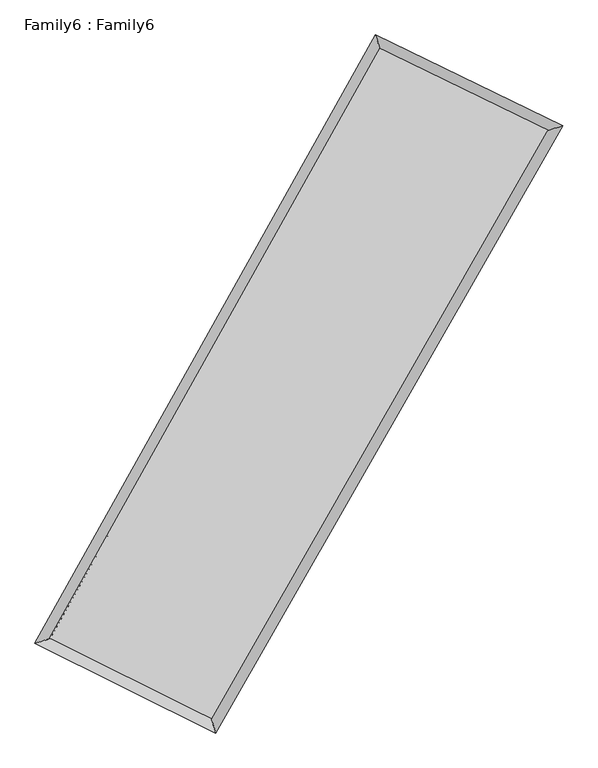
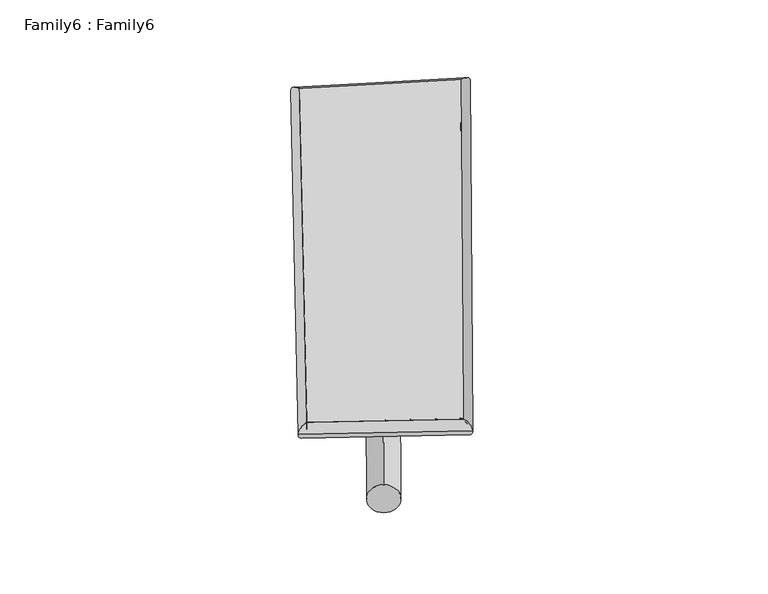
"""IFC4 building model written with IfcOpenShell, lengths in millimetres: plate geometry, Family6 : Family6."""

from ifc_helpers import new_model, si_unit, point, frame, origin, origin_2d, place, context, project, spatial, circle_curve, ellipse_curve, trimmed, segment, composite_curve, outline, extrude, source, transform, mapped, element, save
from ifc_brep_helpers import plane_surface, cylinder_surface, spline_surface, advanced_brep


def family6_family6_2b0231cc(model_context):
    return source(origin(), model_context, "Body", "SolidModel", [
        extrude(outline(composite_curve([segment(trimmed(circle_curve(origin_2d(), 76.2), [point((-75.4341514, -10.7763074))], [point((75.4341514, 10.7763074))], False, "CARTESIAN"), True, "CONTINUOUS"), segment(trimmed(circle_curve(origin_2d(), 76.2), [point((75.4341514, 10.7763074))], [point((-75.4341514, -10.7763074))], False, "CARTESIAN"), True, "CONTINUOUS")], self_intersect=False)), frame((9144.0, 9144.0, 0.0), z_axis=(0.6778109049515287, 0.6836054818009403, 0.2706583129713444), x_axis=(-0.6756501107935996, 0.7243111713739391, -0.1373690460311523)), (0.0, 0.0, 1.0), 5724.6030246),
        extrude(outline(composite_curve([segment(trimmed(circle_curve(origin_2d(), 76.2), [point((-53.8815367, 53.8815367))], [point((53.8815367, -53.8815367))], False, "CARTESIAN"), True, "CONTINUOUS"), segment(trimmed(circle_curve(origin_2d(), 76.2), [point((53.8815367, -53.8815367))], [point((-53.8815367, 53.8815367))], False, "CARTESIAN"), True, "CONTINUOUS")], self_intersect=False)), frame((9144.0, 9144.0, 0.0), z_axis=(-0.6723489654244139, -0.688448898717299, 0.2720018061477877), x_axis=(0.6415901794772025, -0.35871133288851914, 0.6780031130133202)), (0.0, 0.0, 1.0), 5698.1412102),
        extrude(outline(composite_curve([segment(trimmed(circle_curve(origin_2d(), 76.2), [point((-53.8815368, -53.8815367))], [point((53.8815368, 53.8815367))], False, "CARTESIAN"), True, "CONTINUOUS"), segment(trimmed(circle_curve(origin_2d(), 76.2), [point((53.8815368, 53.8815367))], [point((-53.8815368, -53.8815367))], False, "CARTESIAN"), True, "CONTINUOUS")], self_intersect=False)), frame((9144.0, 9144.0, 0.0), z_axis=(0.22967472601914168, 0.9350403473783585, 0.2700908532375564), x_axis=(-0.8472742905734633, 0.3286479782049815, -0.4172730316651351)), (0.0, 0.0, 1.0), 5540.6702422),
        extrude(outline(composite_curve([segment(trimmed(circle_curve(origin_2d(), 76.2), [point((-75.4341514, 10.7763073))], [point((75.4341514, -10.7763073))], False, "CARTESIAN"), True, "CONTINUOUS"), segment(trimmed(circle_curve(origin_2d(), 76.2), [point((75.4341514, -10.7763073))], [point((-75.4341514, 10.7763073))], False, "CARTESIAN"), True, "CONTINUOUS")], self_intersect=False)), frame((9144.0, 9144.0, 0.0), z_axis=(-0.23772474078233274, -0.9330873848889709, 0.26987938005900736), x_axis=(0.8894197035630897, -0.09743197956234903, 0.44658661004592104)), (0.0, 0.0, 1.0), 5542.2443534),
        advanced_brep(
        [(5101.701607, 5155.9951793, 1546.489235), (5101.635665, 5155.8850997, 1554.8245898), (5524.0196979, 5286.2467389, 1553.3201667), (10479.1574105, 14124.8959339, 1501.4547294), (10353.9464292, 14524.604522, 1491.513977), (5524.0856399, 5286.3568184, 1544.984812), (12810.9746546, 12991.5754774, 1548.7833058), (13237.4220585, 13123.1645401, 1550.0394883), (7765.5531978, 4173.0120423, 1496.68215), (7887.3895977, 3772.1913775, 1494.7927905)],
        [
            (0, 1, ellipse_curve(frame((5312.8606525, 5221.1209591, 1549.9047009), z_axis=(-0.29485778231020443, 0.9554857875973437, 0.010285811129514176), x_axis=(-0.9553495993844933, -0.29499712004771667, 0.016847614651372852)), 221.1277815, 152.4)),
            (1, 2, ellipse_curve(frame((5312.8606525, 5221.1209591, 1549.9047009), z_axis=(-0.29485778231020443, 0.9554857875973437, 0.010285811129514176), x_axis=(-0.9553495993844933, -0.29499712004771667, 0.016847614651372852)), 221.1277815, 152.4)),
            (2, 3),
            (3, 4, ellipse_curve(frame((10416.5519198, 14324.750228, 1496.4843532), z_axis=(-0.9541715096106262, -0.2991241323405307, -0.009026832163245643), x_axis=(0.29894623749737526, -0.954117978089484, 0.01703029572843769)), 209.493776, 152.4)),
            (4, 0),
            (2, 5, ellipse_curve(frame((5312.8606525, 5221.1209591, 1549.9047009), z_axis=(-0.29485778231020443, 0.9554857875973437, 0.010285811129514176), x_axis=(-0.9553495993844933, -0.29499712004771667, 0.016847614651372852)), 221.1277815, 152.4)),
            (5, 0, ellipse_curve(frame((5312.8606525, 5221.1209591, 1549.9047009), z_axis=(-0.29485778231020443, 0.9554857875973437, 0.010285811129514176), x_axis=(-0.9553495993844933, -0.29499712004771667, 0.016847614651372852)), 221.1277815, 152.4)),
            (4, 3, ellipse_curve(frame((10416.5519198, 14324.750228, 1496.4843532), z_axis=(-0.9541715096106262, -0.2991241323405307, -0.009026832163245643), x_axis=(0.29894623749737526, -0.954117978089484, 0.01703029572843769)), 209.493776, 152.4)),
            (3, 6),
            (6, 7, ellipse_curve(frame((13024.1983566, 13057.3700087, 1549.4113971), z_axis=(-0.2948128192772218, 0.9555067080379716, -0.009608979355501103), x_axis=(-0.955383120532545, -0.29493561427018555, -0.016002388464366135)), 223.1671413, 152.4)),
            (7, 4),
            (7, 6, ellipse_curve(frame((13024.1983566, 13057.3700087, 1549.4113971), z_axis=(-0.2948128192772218, 0.9555067080379716, -0.009608979355501103), x_axis=(-0.955383120532545, -0.29493561427018555, -0.016002388464366135)), 223.1671413, 152.4)),
            (6, 8),
            (8, 9, ellipse_curve(frame((7826.4713977, 3972.6017099, 1495.7374702), z_axis=(0.9567170839827653, 0.29085666772732527, -0.009737558937990477), x_axis=(-0.29065853752045384, 0.9566612759797437, 0.017799370979885647)), 209.4829684, 152.4)),
            (9, 7),
            (9, 8, ellipse_curve(frame((7826.4713977, 3972.6017099, 1495.7374702), z_axis=(0.9567170839827653, 0.29085666772732527, -0.009737558937990477), x_axis=(-0.29065853752045384, 0.9566612759797437, 0.017799370979885647)), 209.4829684, 152.4)),
            (8, 5),
            (1, 9),
        ],
        [
            cylinder_surface(frame((5312.8606525, 5221.1209591, 1549.9047009), z_axis=(-0.489009676257681, -0.8722633420239639, 0.005118465350418039), x_axis=(-0.8720075075959546, 0.48870319783899036, -0.027786527639052636)), 152.4),
            cylinder_surface(frame((10416.5519198, 14324.750228, 1496.4843532), z_axis=(-0.8992486369117153, 0.4370569255582466, -0.01825192685706528), x_axis=(0.4373307292155328, 0.8991688846486302, -0.015399680631390049)), 152.4),
            cylinder_surface(frame((13024.1983566, 13057.3700087, 1549.4113971), z_axis=(0.4965955097970628, 0.8679669364086765, 0.005128055258271495), x_axis=(0.8679810142546058, -0.4965955097970628, -0.0013632838813222488)), 152.4),
            cylinder_surface(frame((7826.4713977, 3972.6017099, 1495.7374702), z_axis=(0.8954382643879365, -0.44476731794065866, -0.01929630953817933), x_axis=(-0.4446107631127662, -0.8956435427453681, 0.011996402077694982)), 152.4),
        ],
        [
            (0, [[1, 2, 3, 4, 5]]),
            (0, [[6, 7, -5, 8, -3]]),
            (1, [[-4, 9, 10, 11]]),
            (1, [[-8, -11, 12, -9]]),
            (2, [[-10, 13, 14, 15]]),
            (2, [[-12, -15, 16, -13]]),
            (3, [[-14, 17, -6, -2, 18]]),
            (3, [[-16, -18, -1, -7, -17]]),
        ],
    ),
        extrude(outline(composite_curve([segment(trimmed(circle_curve(origin_2d(), 304.8), [point((0.0, 304.7999999))], [point((0.0, -304.8))], False, "CARTESIAN"), True, "CONTINUOUS"), segment(trimmed(circle_curve(origin_2d(), 304.8), [point((0.0, -304.8))], [point((0.0, 304.7999999))], False, "CARTESIAN"), True, "CONTINUOUS")], self_intersect=False)), frame((11754.5619575, 13697.9064885, -0.0343725), z_axis=(-0.4973347278573927, -0.8675587406188319, 6.548251148956839e-06), x_axis=(-0.8675587406417921, 0.4973347278573927, -1.7438127284977294e-06)), (0.0, 0.0, 1.0), 10498.2089979),
        advanced_brep(
        [(5312.8606525, 5221.1209591, 1549.9047009), (7826.4713977, 3972.6017099, 1495.7374702), (7826.4591636, 3972.6054592, 1648.1374697), (5312.8484183, 5221.1247084, 1702.3047003), (13024.1983566, 13057.3700087, 1549.4113971), (13024.1861224, 13057.3737581, 1701.8113965), (10416.5519198, 14324.750228, 1496.4843532), (10416.5396857, 14324.7539773, 1648.8843527)],
        [
            (0, 1),
            (1, 2),
            (2, 3),
            (3, 0),
            (1, 4),
            (4, 5),
            (5, 2),
            (4, 6),
            (6, 7),
            (7, 5),
            (6, 0),
            (3, 7),
        ],
        [
            plane_surface(frame((6569.6660251, 4596.8613345, 1522.8210855), z_axis=(-0.44485038146102374, -0.8956049005710646, -1.3677551515424609e-05), x_axis=(0.8954382643879364, -0.4447673179406587, -0.01929630953817933))),
            plane_surface(frame((10425.3348772, 8514.9858593, 1522.5744336), z_axis=(0.8679781376060448, -0.49660240226062236, 8.189579507243347e-05), x_axis=(0.4965955097970629, 0.8679669364086765, 0.005128055258271492))),
            plane_surface(frame((11720.3751382, 13691.0601183, 1522.9478751), z_axis=(0.43712952986534165, 0.8993985623468771, 1.2964415631113585e-05), x_axis=(-0.8992486369117151, 0.4370569255582467, -0.018251926857065285))),
            plane_surface(frame((7864.7062861, 9772.9355935, 1523.194527), z_axis=(-0.8722749707743586, 0.4890157140907841, -8.205408385535216e-05), x_axis=(-0.4890096762576813, -0.8722633420239638, 0.005118465350418032))),
            spline_surface(1, 1, [[(7826.4591636, 3972.6054592, 1648.1374697), (5312.8484183, 5221.1247084, 1702.3047003)], [(13024.1861224, 13057.3737581, 1701.8113965), (10416.5396857, 14324.7539773, 1648.8843527)]], [2, 2], [2, 2], [0.0, 1.0], [0.0, 1.0]),
            spline_surface(1, 1, [[(10416.5519198, 14324.750228, 1496.4843532), (5312.8606525, 5221.1209591, 1549.9047009)], [(13024.1983566, 13057.3700087, 1549.4113971), (7826.4713977, 3972.6017099, 1495.7374702)]], [2, 2], [2, 2], [0.0, 1.0], [0.0, 1.0]),
        ],
        [
            (0, [[1, 2, 3, 4]]),
            (1, [[5, 6, 7, -2]]),
            (2, [[8, 9, 10, -6]]),
            (3, [[11, -4, 12, -9]]),
            (4, [[-3, -7, -10, -12]]),
            (5, [[-11, -8, -5, -1]]),
        ],
    ),
    ])


if __name__ == "__main__":
    model = new_model("IFC4")
    model_context = context("Model", 3, world=origin())
    ifc_project = project(units=[si_unit("LENGTHUNIT", "METRE", prefix="MILLI")], contexts=[model_context])
    site = spatial("IfcSite", under=ifc_project)
    building = spatial("IfcBuilding", under=site)
    placement = place(None, origin())
    family6_family6_shape = family6_family6_2b0231cc(model_context)
    element("IfcPlate", 1, ObjectType="Family6 : Family6", at=placement, inside=building, context=model_context, shape_type="MappedRepresentation", body=[
        mapped(family6_family6_shape, transform((0.0, 0.0, 0.0), x_axis=(1.0, 0.0, 0.0), y_axis=(0.0, 1.0, 0.0), z_axis=(0.0, 0.0, 1.0))),
    ])
    save(model, "model.ifc")
